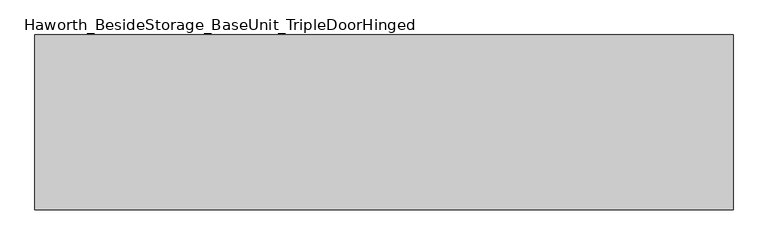
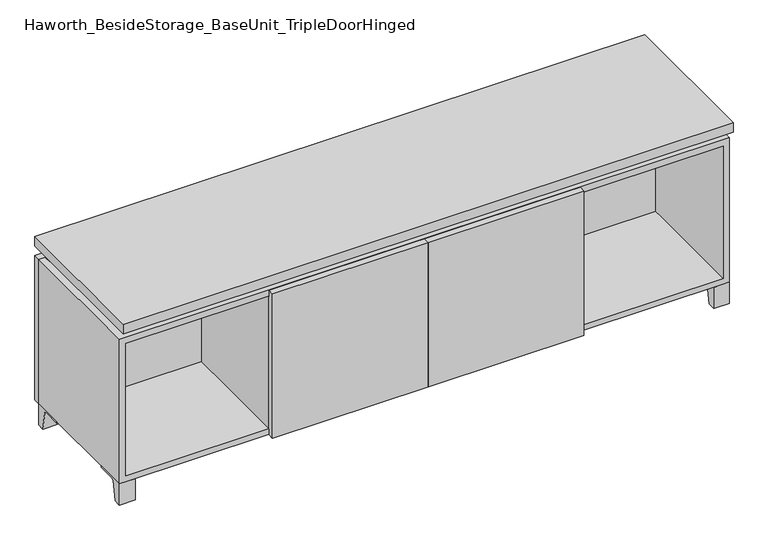
"""IFC4 building model written with IfcOpenShell, lengths in millimetres: furniture geometry, Haworth_BesideStorage_BaseUnit_TripleDoorHinged."""

from ifc_helpers import new_model, si_unit, point, frame, frame_2d, origin, place, context, project, spatial, polyline, circle_curve, trimmed, segment, composite_curve, outline, extrude, faceted_brep, source, transform, mapped, element, save


def haworth_besidestorage_baseunit_tripledoorhinged_4fb4679d(model_context):
    return source(origin(), model_context, "Body", "SolidModel", [
        extrude(outline(composite_curve([segment(polyline([(38.6291531, 0.0), (15.875, 0.0), (15.875, 66.675), (111.125, 66.675), (111.125, 61.8963321), (54.3244655, 61.8963321)]), True, "CONTINUOUS"), segment(trimmed(circle_curve(frame_2d((54.3244655, 55.5463321)), 6.35), [point((54.3244655, 61.8963321))], [point((48.0608641, 56.5902656))], True, "CARTESIAN"), True, "CONTINUOUS"), segment(polyline([(48.0608641, 56.5902656), (38.6291531, 0.0)]), True, "CONTINUOUS")], self_intersect=False)), frame((-23.7986094, 0.0, 0.0), z_axis=(1.0, 0.0, 0.0), x_axis=(0.0, 1.0, 0.0)), (0.0, 0.0, 1.0), 47.625),
        extrude(outline(composite_curve([segment(polyline([(-129.6458469, 0.0), (-152.4, 0.0), (-152.4, 66.675), (-57.15, 66.675), (-57.15, 61.8963321), (-113.9505345, 61.8963321)]), True, "CONTINUOUS"), segment(trimmed(circle_curve(frame_2d((-113.9505345, 55.5463321)), 6.35), [point((-113.9505345, 61.8963321))], [point((-120.2141359, 56.5902656))], True, "CARTESIAN"), True, "CONTINUOUS"), segment(polyline([(-120.2141359, 56.5902656), (-129.6458469, 0.0)]), True, "CONTINUOUS")], self_intersect=False)), frame((865.2013906, 0.0, 0.0), z_axis=(1.0, 0.0, 0.0), x_axis=(0.0, 1.0, 0.0)), (0.0, 0.0, 1.0), 47.625),
        extrude(outline(composite_curve([segment(polyline([(243.9458469, 0.0), (234.5141359, 56.5902656)]), True, "CONTINUOUS"), segment(trimmed(circle_curve(frame_2d((228.2505345, 55.5463321)), 6.35), [point((234.5141359, 56.5902656))], [point((228.2505345, 61.8963321))], True, "CARTESIAN"), True, "CONTINUOUS"), segment(polyline([(228.2505345, 61.8963321), (171.45, 61.8963321), (171.45, 66.675), (266.7, 66.675), (266.7, 0.0), (243.9458469, 0.0)]), True, "CONTINUOUS")], self_intersect=False)), frame((865.2013906, 0.0, 0.0), z_axis=(1.0, 0.0, 0.0), x_axis=(0.0, 1.0, 0.0)), (0.0, 0.0, 1.0), 47.625),
        extrude(outline(composite_curve([segment(polyline([(-129.6458469, 0.0), (-152.4, 0.0), (-152.4, 66.675), (-57.15, 66.675), (-57.15, 61.8963321), (-113.9505345, 61.8963321)]), True, "CONTINUOUS"), segment(trimmed(circle_curve(frame_2d((-113.9505345, 55.5463321)), 6.35), [point((-113.9505345, 61.8963321))], [point((-120.2141359, 56.5902656))], True, "CARTESIAN"), True, "CONTINUOUS"), segment(polyline([(-120.2141359, 56.5902656), (-129.6458469, 0.0)]), True, "CONTINUOUS")], self_intersect=False)), frame((-912.7986094, 0.0, 0.0), z_axis=(1.0, 0.0, 0.0), x_axis=(0.0, 1.0, 0.0)), (0.0, 0.0, 1.0), 47.625),
        extrude(outline(composite_curve([segment(polyline([(243.9458469, 0.0), (234.5141359, 56.5902656)]), True, "CONTINUOUS"), segment(trimmed(circle_curve(frame_2d((228.2505345, 55.5463321)), 6.35), [point((234.5141359, 56.5902656))], [point((228.2505345, 61.8963321))], True, "CARTESIAN"), True, "CONTINUOUS"), segment(polyline([(228.2505345, 61.8963321), (171.45, 61.8963321), (171.45, 66.675), (266.7, 66.675), (266.7, 0.0), (243.9458469, 0.0)]), True, "CONTINUOUS")], self_intersect=False)), frame((-912.7986094, 0.0, 0.0), z_axis=(1.0, 0.0, 0.0), x_axis=(0.0, 1.0, 0.0)), (0.0, 0.0, 1.0), 47.625),
        faceted_brep([(-912.7986094, -152.4, 66.675), (912.8125, -152.4, 66.675), (912.8125, -152.4, 523.875), (-912.7986094, -152.4, 523.875), (-893.7486094, -152.4, 85.725), (-893.7486094, -152.4, 504.825), (893.7694453, -152.4, 504.825), (893.7486094, -152.4, 85.725), (-912.7986094, 266.7, 66.675), (-912.7986094, 266.7, 523.875), (-893.7486094, 266.7, 523.875), (-893.7486094, 266.7, 85.725), (893.7486094, 266.7, 85.725), (893.7486094, 266.7, 523.875), (912.8125, 266.7, 523.875), (912.8125, 266.7, 66.675), (893.7486094, 241.3, 523.875), (-893.7416641, 241.3, 523.875), (-893.7486094, 241.3, 504.825), (893.7486094, 241.3, 504.825)], [[[0, 1, 2, 3], [4, 5, 6, 7]], [[8, 9, 10, 11, 12, 13, 14, 15]], [[1, 0, 8, 15]], [[2, 1, 15, 14]], [[3, 2, 14, 13, 16, 17, 10, 9]], [[0, 3, 9, 8]], [[11, 10, 17, 18, 5, 4]], [[13, 12, 7, 6, 19, 16]], [[4, 7, 12, 11]], [[6, 5, 18, 19]], [[17, 16, 19, 18]]]),
        extrude(outline(polyline([(912.8263906, -171.45), (-912.7986094, -171.45), (-912.7986094, 285.75), (912.8263906, 285.75), (912.8263906, -171.45)])), frame((0.0, 0.0, 554.0375), z_axis=(0.0, 0.0, 1.0), x_axis=(1.0, 0.0, 0.0)), (0.0, 0.0, 1.0), 30.1625),
        faceted_brep([(7.9513906, -76.2, 554.0375), (7.9513906, -76.2, 523.875), (7.9513906, 47.625, 523.875), (7.9513906, 47.625, 554.0375), (7.9513906, 190.5, 523.875), (7.9513906, 190.5, 554.0375), (7.9513906, 66.675, 554.0375), (7.9513906, 66.675, 523.875), (-7.9236094, 190.5, 554.0375), (-7.9236094, 190.5, 523.875), (-7.9236094, 66.675, 523.875), (-7.9236094, 66.675, 554.0375), (-7.9236094, -76.2, 523.875), (-7.9236094, -76.2, 554.0375), (-7.9236094, 47.625, 554.0375), (-7.9236094, 47.625, 523.875), (-871.4958281, 66.675, 554.0375), (-871.5166641, 241.3, 554.0375), (-887.3916641, 241.3, 554.0375), (-887.3916641, -127.0, 554.0375), (-871.5166641, -127.0, 554.0375), (-871.5166641, 47.625, 554.0375), (871.5236094, 47.625, 554.0375), (871.5236094, -127.0, 554.0375), (887.3986094, -127.0, 554.0375), (887.3986094, 241.3, 554.0375), (871.5236094, 241.3, 554.0375), (871.5236094, 66.675, 554.0375), (-871.4958281, 47.625, 523.875), (-871.5166641, -127.0, 523.875), (-887.3916641, -127.0, 523.875), (-887.3916641, 241.3, 523.875), (-871.5166641, 241.3, 523.875), (-871.5166641, 66.675, 523.875), (871.5236094, 66.675, 523.875), (871.5236094, 241.3, 523.875), (887.3986094, 241.3, 523.875), (887.3986094, -127.0, 523.875), (871.5236094, -127.0, 523.875), (871.5236094, 47.625, 523.875)], [[[0, 1, 2, 3]], [[4, 5, 6, 7]], [[8, 9, 10, 11]], [[12, 13, 14, 15]], [[5, 8, 11, 16, 17, 18, 19, 20, 21, 14, 13, 0, 3, 22, 23, 24, 25, 26, 27, 6]], [[1, 12, 15, 28, 29, 30, 31, 32, 33, 10, 9, 4, 7, 34, 35, 36, 37, 38, 39, 2]], [[5, 4, 9, 8]], [[1, 0, 13, 12]], [[6, 27, 34, 7]], [[22, 3, 2, 39]], [[20, 29, 28, 21]], [[32, 17, 16, 33]], [[18, 31, 30, 19]], [[29, 20, 19, 30]], [[17, 32, 31, 18]], [[26, 35, 34, 27]], [[38, 23, 22, 39]], [[25, 24, 37, 36]], [[23, 38, 37, 24]], [[35, 26, 25, 36]], [[16, 11, 10, 33]], [[14, 21, 28, 15]]]),
        extrude(outline(polyline([(912.8263906, 266.7), (-912.7986094, 266.7), (-912.7986094, 285.75), (912.8263906, 285.75), (912.8263906, 266.7)])), frame((0.0, 0.0, 66.675), z_axis=(0.0, 0.0, 1.0), x_axis=(1.0, 0.0, 0.0)), (0.0, 0.0, 1.0), 457.2),
        extrude(outline(polyline([(-893.7416641, 196.85), (-893.7416641, 203.2), (893.7694453, 203.2), (893.7694453, 196.85), (-893.7416641, 196.85)])), frame((0.0, 0.0, 85.725), z_axis=(0.0, 0.0, 1.0), x_axis=(1.0, 0.0, 0.0)), (0.0, 0.0, 1.0), 419.1),
        extrude(outline(polyline([(0.0138906, -171.45), (0.0138906, -152.4), (465.9451406, -152.4), (465.9451406, -171.45), (0.0138906, -171.45)])), frame((0.0, 0.0, 66.675), z_axis=(0.0, 0.0, 1.0), x_axis=(1.0, 0.0, 0.0)), (0.0, 0.0, 1.0), 457.2),
        extrude(outline(polyline([(0.0138906, -171.45), (-465.9173594, -171.45), (-465.9173594, -152.4), (0.0138906, -152.4), (0.0138906, -171.45)])), frame((0.0, 0.0, 66.675), z_axis=(0.0, 0.0, 1.0), x_axis=(1.0, 0.0, 0.0)), (0.0, 0.0, 1.0), 457.2),
        extrude(outline(polyline([(446.8951406, 196.85), (465.9451406, 196.85), (465.9451406, -152.4), (446.8951406, -152.4), (446.8951406, 196.85)])), frame((0.0, 0.0, 85.725), z_axis=(0.0, 0.0, 1.0), x_axis=(1.0, 0.0, 0.0)), (0.0, 0.0, 1.0), 419.1),
        extrude(outline(polyline([(-465.9173594, 196.85), (-446.8673594, 196.85), (-446.8673594, -152.4), (-465.9173594, -152.4), (-465.9173594, 196.85)])), frame((0.0, 0.0, 85.725), z_axis=(0.0, 0.0, 1.0), x_axis=(1.0, 0.0, 0.0)), (0.0, 0.0, 1.0), 419.1),
    ])


if __name__ == "__main__":
    model = new_model("IFC4")
    model_context = context("Model", 3, world=origin())
    ifc_project = project(units=[si_unit("LENGTHUNIT", "METRE", prefix="MILLI")], contexts=[model_context])
    site = spatial("IfcSite", under=ifc_project)
    building = spatial("IfcBuilding", under=site)
    placement = place(None, origin())
    haworth_besidestorage_baseunit_tripledoorhinged_shape = haworth_besidestorage_baseunit_tripledoorhinged_4fb4679d(model_context)
    element("IfcFurniture", 1, ObjectType="Haworth_BesideStorage_BaseUnit_TripleDoorHinged", at=placement, inside=building, context=model_context, shape_type="MappedRepresentation", body=[
        mapped(haworth_besidestorage_baseunit_tripledoorhinged_shape, transform((0.0, 0.0, 0.0), x_axis=(1.0, 0.0, 0.0), y_axis=(0.0, 1.0, 0.0), z_axis=(0.0, 0.0, 1.0))),
    ])
    save(model, "model.ifc")
